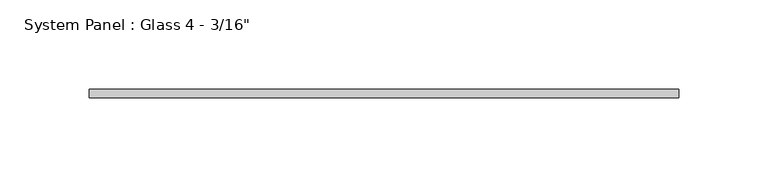
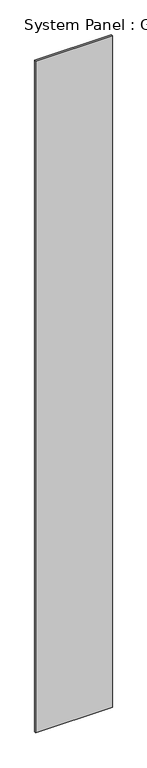
"""IFC4 building model written with IfcOpenShell, lengths in millimetres: plate geometry."""

from ifc_helpers import new_model, si_unit, origin, origin_with_axes, place, context, project, spatial, polyline, outline, extrude, source, transform, mapped, element, save


def plate_88aff6c1(model_context):
    return source(origin(), model_context, "Body", "SweptSolid", [
        extrude(outline(polyline([(165.1, 0.79375), (-165.1, 0.79375), (-165.1, 5.55625), (165.1, 5.55625), (165.1, 0.79375)])), origin_with_axes(), (0.0, 0.0, 1.0), 3048.0),
    ])


if __name__ == "__main__":
    model = new_model("IFC4")
    model_context = context("Model", 3, world=origin())
    ifc_project = project(units=[si_unit("LENGTHUNIT", "METRE", prefix="MILLI")], contexts=[model_context])
    site = spatial("IfcSite", under=ifc_project)
    building = spatial("IfcBuilding", under=site)
    placement = place(None, origin())
    plate_shape = plate_88aff6c1(model_context)
    element("IfcPlate", 1, ObjectType="System Panel : Glass 4 - 3/16\"", at=placement, inside=building, context=model_context, shape_type="MappedRepresentation", body=[
        mapped(plate_shape, transform((0.0, 0.0, 0.0), x_axis=(1.0, 0.0, 0.0), y_axis=(0.0, 1.0, 0.0), z_axis=(0.0, 0.0, 1.0))),
    ])
    save(model, "model.ifc")
